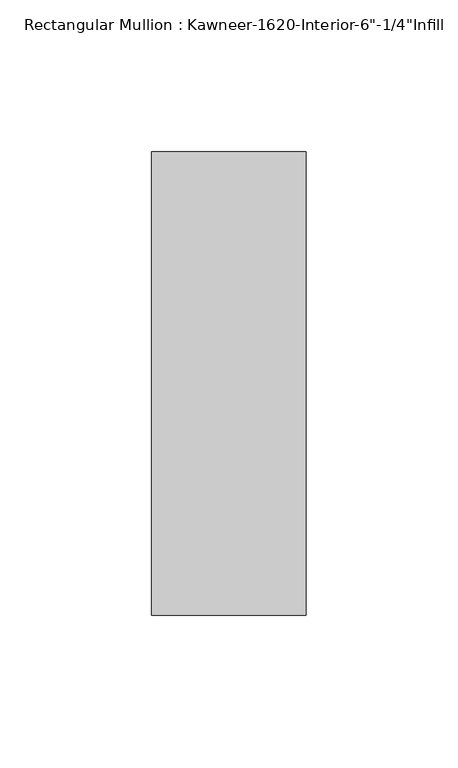
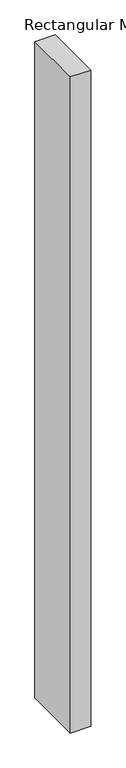
"""IFC4 building model written with IfcOpenShell, lengths in millimetres: member geometry."""

from ifc_helpers import new_model, si_unit, frame, origin, place, context, project, spatial, polyline, outline, extrude, source, transform, mapped, element, save


def member_4557caea(model_context):
    return source(origin(), model_context, "Body", "SweptSolid", [
        extrude(outline(polyline([(25.4, 123.825), (25.4, -28.575), (-25.4, -28.575), (-25.4, 123.825), (25.4, 123.825)])), frame((0.0, 0.0, -1720.85), z_axis=(0.0, 0.0, 1.0), x_axis=(1.0, 0.0, 0.0)), (0.0, 0.0, 1.0), 1720.85),
    ])


if __name__ == "__main__":
    model = new_model("IFC4")
    model_context = context("Model", 3, world=origin())
    ifc_project = project(units=[si_unit("LENGTHUNIT", "METRE", prefix="MILLI")], contexts=[model_context])
    site = spatial("IfcSite", under=ifc_project)
    building = spatial("IfcBuilding", under=site)
    placement = place(None, origin())
    member_shape = member_4557caea(model_context)
    element("IfcMember", 1, ObjectType="Rectangular Mullion : Kawneer-1620-Interior-6\"-1/4\"Infill", at=placement, inside=building, context=model_context, shape_type="MappedRepresentation", body=[
        mapped(member_shape, transform((0.0, 0.0, 0.0), x_axis=(1.0, 0.0, 0.0), y_axis=(0.0, 1.0, 0.0), z_axis=(0.0, 0.0, 1.0))),
    ])
    save(model, "model.ifc")
